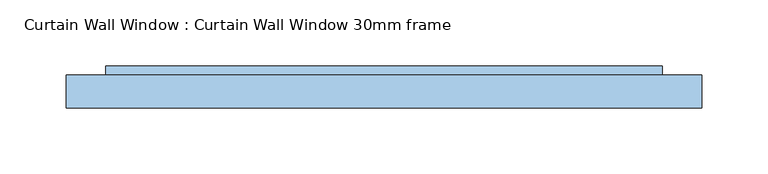
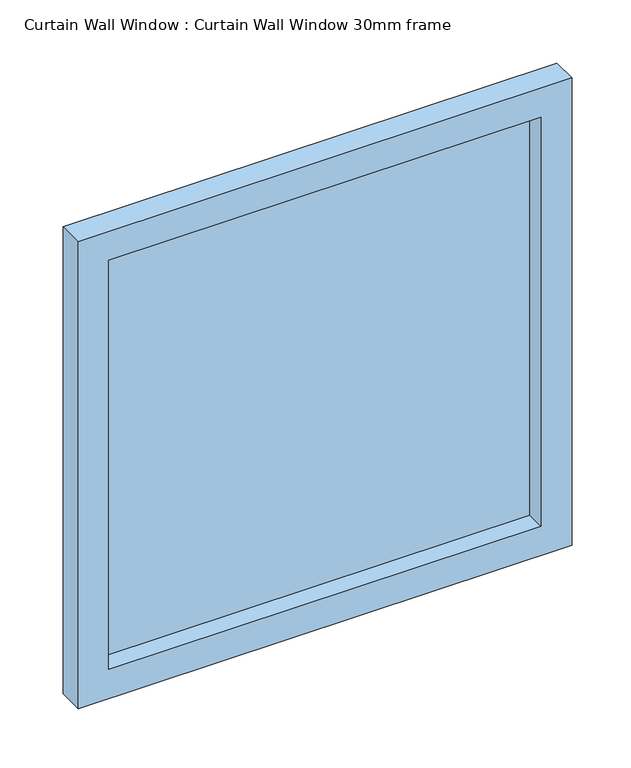
"""IFC4 building model written with IfcOpenShell, lengths in millimetres: window geometry, Curtain Wall Window : Curtain Wall Window 30mm frame."""

from ifc_helpers import new_model, si_unit, frame, origin, place, context, project, spatial, polyline, outline, extrude, source, transform, mapped, element, save


def curtain_wall_window_curtain_wall_window_30mm_frame_7727d4cd(model_context):
    return source(origin(), model_context, "Body", "SweptSolid", [
        extrude(outline(polyline([(210.5000002, 19.05), (-210.5000002, 19.05), (-210.5000002, 31.75), (210.5000002, 31.75), (210.5000002, 19.05)])), frame((0.0, 0.0, 30.0), z_axis=(0.0, 0.0, 1.0), x_axis=(1.0, 0.0, 0.0)), (0.0, 0.0, 1.0), 421.0000097),
        extrude(outline(polyline([(481.0000097, -240.5000002), (0.0, -240.5000002), (0.0, 240.5000002), (481.0000097, 240.5000002), (481.0000097, -240.5000002)]), holes=[polyline([(451.0000097, -210.5000002), (451.0000097, 210.5000002), (30.0, 210.5000002), (30.0, -210.5000002), (451.0000097, -210.5000002)])]), frame((0.0, 0.0, 0.0), z_axis=(0.0, 1.0, 0.0), x_axis=(0.0, 0.0, 1.0)), (0.0, 0.0, 1.0), 25.0),
    ])


if __name__ == "__main__":
    model = new_model("IFC4")
    model_context = context("Model", 3, world=origin())
    ifc_project = project(units=[si_unit("LENGTHUNIT", "METRE", prefix="MILLI")], contexts=[model_context])
    site = spatial("IfcSite", under=ifc_project)
    building = spatial("IfcBuilding", under=site)
    placement = place(None, origin())
    curtain_wall_window_curtain_wall_window_30mm_frame_shape = curtain_wall_window_curtain_wall_window_30mm_frame_7727d4cd(model_context)
    element("IfcWindow", 1, ObjectType="Curtain Wall Window : Curtain Wall Window 30mm frame", at=placement, inside=building, context=model_context, shape_type="MappedRepresentation", body=[
        mapped(curtain_wall_window_curtain_wall_window_30mm_frame_shape, transform((0.0, 0.0, 0.0), x_axis=(1.0, 0.0, 0.0), y_axis=(0.0, 1.0, 0.0), z_axis=(0.0, 0.0, 1.0))),
    ])
    save(model, "model.ifc")
